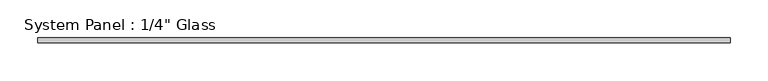
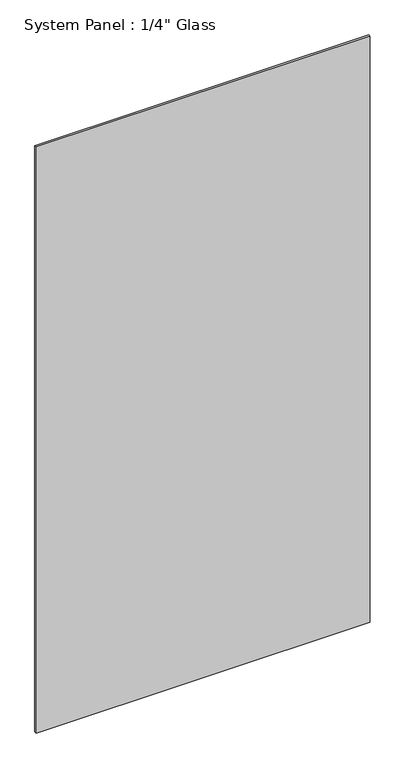
"""IFC4 building model written with IfcOpenShell, lengths in millimetres: plate geometry."""

from ifc_helpers import new_model, si_unit, origin, origin_with_axes, place, context, project, spatial, polyline, outline, extrude, source, transform, mapped, element, save


def plate_f276475a(model_context):
    return source(origin(), model_context, "Body", "SweptSolid", [
        extrude(outline(polyline([(457.2, -3.175), (-457.2, -3.175), (-457.2, 3.175), (457.2, 3.175), (457.2, -3.175)])), origin_with_axes(), (0.0, 0.0, 1.0), 1695.45),
    ])


if __name__ == "__main__":
    model = new_model("IFC4")
    model_context = context("Model", 3, world=origin())
    ifc_project = project(units=[si_unit("LENGTHUNIT", "METRE", prefix="MILLI")], contexts=[model_context])
    site = spatial("IfcSite", under=ifc_project)
    building = spatial("IfcBuilding", under=site)
    placement = place(None, origin())
    plate_shape = plate_f276475a(model_context)
    element("IfcPlate", 1, ObjectType="System Panel : 1/4\" Glass", at=placement, inside=building, context=model_context, shape_type="MappedRepresentation", body=[
        mapped(plate_shape, transform((0.0, 0.0, 0.0), x_axis=(1.0, 0.0, 0.0), y_axis=(0.0, 1.0, 0.0), z_axis=(0.0, 0.0, 1.0))),
    ])
    save(model, "model.ifc")
